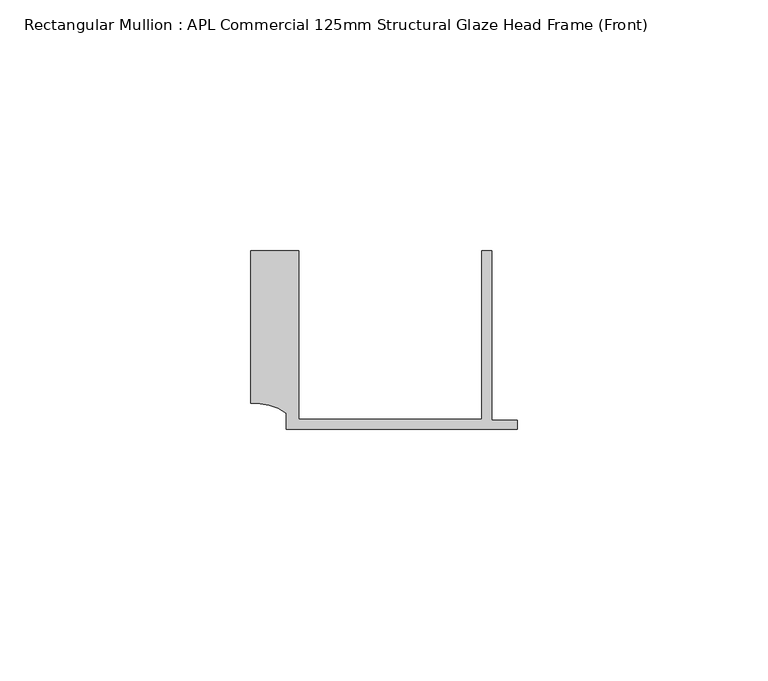
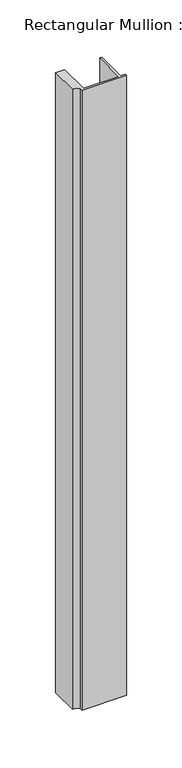
"""IFC4 building model written with IfcOpenShell, lengths in millimetres: member geometry, Rectangular Mullion : APL Commercial 125mm Structural Glaze Head Frame (Front)."""

from ifc_helpers import new_model, si_unit, point, frame, frame_2d, origin, place, context, project, spatial, polyline, circle_curve, trimmed, segment, composite_curve, outline, extrude, source, transform, mapped, element, save


def rectangular_mullion_apl_commercial_125mm_structural_glaze_95296ed6(model_context):
    return source(origin(), model_context, "Body", "SweptSolid", [
        extrude(outline(composite_curve([segment(polyline([(-52.9999542, 15.0), (-43.5000151, 15.0), (-43.5000151, -18.5002486), (-7.0, -18.5002486), (-7.0, 15.0), (-5.0, 15.0), (-5.0, -18.7002486), (0.0, -18.7002486), (0.0, -20.5002486), (-45.9999994, -20.5002486), (-45.9999994, -17.3126154)]), True, "CONTINUOUS"), segment(trimmed(circle_curve(frame_2d((-52.109817, -25.7982641)), 10.4563907), [point((-45.9999994, -17.3126154))], [point((-52.9999542, -15.3798304))], True, "CARTESIAN"), True, "CONTINUOUS"), segment(polyline([(-52.9999542, -15.3798304), (-52.9999542, 15.0)]), True, "CONTINUOUS")], self_intersect=False)), frame((0.0, 0.0, -679.1423286), z_axis=(0.0, 0.0, 1.0), x_axis=(1.0, 0.0, 0.0)), (0.0, 0.0, 1.0), 679.1423286),
    ])


if __name__ == "__main__":
    model = new_model("IFC4")
    model_context = context("Model", 3, world=origin())
    ifc_project = project(units=[si_unit("LENGTHUNIT", "METRE", prefix="MILLI")], contexts=[model_context])
    site = spatial("IfcSite", under=ifc_project)
    building = spatial("IfcBuilding", under=site)
    placement = place(None, origin())
    rectangular_mullion_apl_commercial_125mm_structural_glaze_shape = rectangular_mullion_apl_commercial_125mm_structural_glaze_95296ed6(model_context)
    element("IfcMember", 1, ObjectType="Rectangular Mullion : APL Commercial 125mm Structural Glaze Head Frame (Front)", at=placement, inside=building, context=model_context, shape_type="MappedRepresentation", body=[
        mapped(rectangular_mullion_apl_commercial_125mm_structural_glaze_shape, transform((0.0, 0.0, 0.0), x_axis=(1.0, 0.0, 0.0), y_axis=(0.0, 1.0, 0.0), z_axis=(0.0, 0.0, 1.0))),
    ])
    save(model, "model.ifc")
